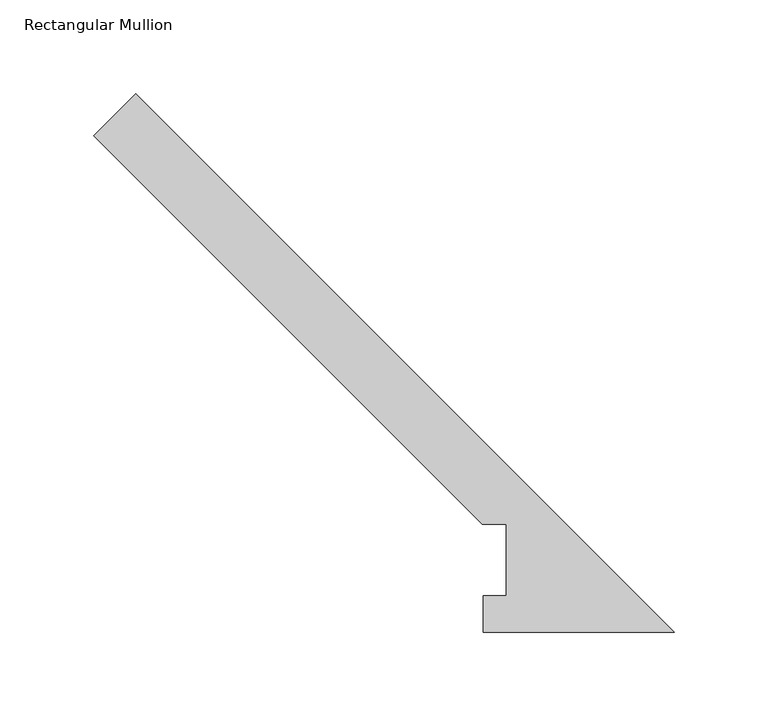
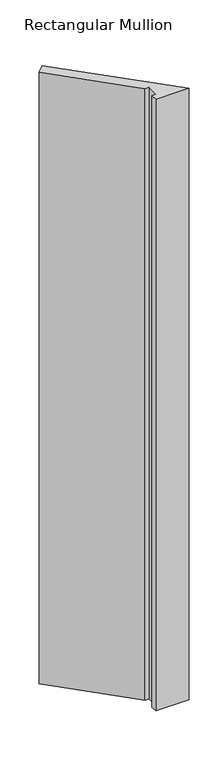
"""IFC4 building model written with IfcOpenShell, lengths in millimetres: member geometry, Rectangular Mullion."""

from ifc_helpers import new_model, si_unit, frame, origin, place, context, project, spatial, polyline, outline, extrude, source, transform, mapped, element, save


def rectangular_mullion_703c4573(model_context):
    return source(origin(), model_context, "Body", "SweptSolid", [
        extrude(outline(polyline([(-102.5396468, 57.6460937), (-310.0339648, 265.1404117), (-287.5833245, 287.591052), (0.0, 0.0077275), (-102.1557194, 0.0077275), (-102.1557194, 19.5460938), (-89.8396468, 19.5460938), (-89.8396468, 57.6460938), (-102.5396468, 57.6460937)])), frame((0.0, 0.0, -1993.9), z_axis=(0.0, 0.0, 1.0), x_axis=(1.0, 0.0, 0.0)), (0.0, 0.0, 1.0), 1993.9),
    ])


if __name__ == "__main__":
    model = new_model("IFC4")
    model_context = context("Model", 3, world=origin())
    ifc_project = project(units=[si_unit("LENGTHUNIT", "METRE", prefix="MILLI")], contexts=[model_context])
    site = spatial("IfcSite", under=ifc_project)
    building = spatial("IfcBuilding", under=site)
    placement = place(None, origin())
    rectangular_mullion_shape = rectangular_mullion_703c4573(model_context)
    element("IfcMember", 1, ObjectType="Rectangular Mullion", at=placement, inside=building, context=model_context, shape_type="MappedRepresentation", body=[
        mapped(rectangular_mullion_shape, transform((0.0, 0.0, 0.0), x_axis=(1.0, 0.0, 0.0), y_axis=(0.0, 1.0, 0.0), z_axis=(0.0, 0.0, 1.0))),
    ])
    save(model, "model.ifc")
